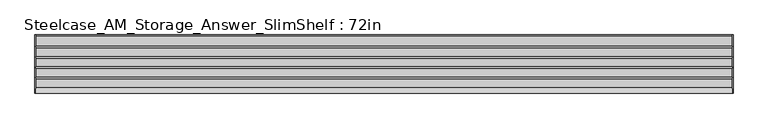
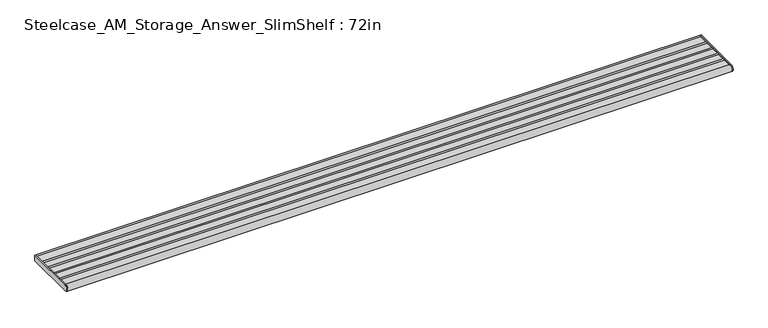
"""IFC4 building model written with IfcOpenShell, lengths in millimetres: furniture geometry, Steelcase_AM_Storage_Answer_SlimShelf : 72in."""

from ifc_helpers import new_model, si_unit, point, frame, frame_2d, origin, place, context, project, spatial, polyline, circle_curve, trimmed, segment, composite_curve, outline, extrude, source, transform, mapped, element, save


def steelcase_am_storage_answer_slimshelf_72in_cc0a2fbb(model_context):
    return source(origin(), model_context, "Body", "SweptSolid", [
        extrude(outline(composite_curve([segment(polyline([(-29.2099994, 928.482716), (-2.2859999, 928.482716)]), True, "CONTINUOUS"), segment(trimmed(circle_curve(frame_2d((1e-07, 928.482716)), 2.2860001), [point((-2.2859999, 928.482716))], [point((0.0, 930.7687161))], False, "CARTESIAN"), True, "CONTINUOUS"), segment(polyline([(0.0, 930.7687161), (0.0, 914.4), (-143.9753135, 914.4)]), True, "CONTINUOUS"), segment(trimmed(circle_curve(frame_2d((-143.9753135, 922.8328065)), 8.4328065), [point((-143.9753135, 914.4))], [point((-137.7150621, 928.482716))], False, "CARTESIAN"), True, "CONTINUOUS"), segment(polyline([(-137.7150621, 928.482716), (-114.7063978, 928.482716)]), True, "CONTINUOUS"), segment(trimmed(circle_curve(frame_2d((-112.4204, 928.482716)), 2.2859978), [point((-114.7063978, 928.482716))], [point((-110.1344022, 928.482716))], False, "CARTESIAN"), True, "CONTINUOUS"), segment(polyline([(-110.1344022, 928.482716), (-87.7315999, 928.482716)]), True, "CONTINUOUS"), segment(trimmed(circle_curve(frame_2d((-85.4456021, 928.482716)), 2.2859978), [point((-87.7315999, 928.482716))], [point((-83.1596043, 928.482716))], False, "CARTESIAN"), True, "CONTINUOUS"), segment(polyline([(-83.1596043, 928.482716), (-60.756802, 928.482716)]), True, "CONTINUOUS"), segment(trimmed(circle_curve(frame_2d((-58.4708019, 928.482716)), 2.2860001), [point((-60.756802, 928.482716))], [point((-56.1848018, 928.482716))], False, "CARTESIAN"), True, "CONTINUOUS"), segment(polyline([(-56.1848018, 928.482716), (-33.7819996, 928.482716)]), True, "CONTINUOUS"), segment(trimmed(circle_curve(frame_2d((-31.4959995, 928.482716)), 2.2860001), [point((-33.7819996, 928.482716))], [point((-29.2099994, 928.482716))], False, "CARTESIAN"), True, "CONTINUOUS")], self_intersect=False)), frame((2.7431999, 0.0, 0.0), z_axis=(1.0, 0.0, 0.0), x_axis=(0.0, 1.0, 0.0)), (0.0, 0.0, 1.0), 1823.2120001),
        extrude(outline(composite_curve([segment(polyline([(-143.9753135, 931.265613), (0.0, 931.265613), (0.0, 914.4), (-143.9753135, 914.4)]), True, "CONTINUOUS"), segment(trimmed(circle_curve(frame_2d((-143.9753135, 922.8328065)), 8.4328065), [point((-143.9753135, 914.4))], [point((-143.9753135, 931.265613))], False, "CARTESIAN"), True, "CONTINUOUS")], self_intersect=False)), frame((1825.9552, 0.0, 0.0), z_axis=(1.0, 0.0, 0.0), x_axis=(0.0, 1.0, 0.0)), (0.0, 0.0, 1.0), 2.8448),
        extrude(outline(composite_curve([segment(polyline([(-143.9753135, 931.265613), (0.0, 931.265613), (0.0, 914.4), (-143.9753135, 914.4)]), True, "CONTINUOUS"), segment(trimmed(circle_curve(frame_2d((-143.9753135, 922.8328065)), 8.4328065), [point((-143.9753135, 914.4))], [point((-143.9753135, 931.265613))], False, "CARTESIAN"), True, "CONTINUOUS")], self_intersect=False)), frame((0.0, 0.0, 0.0), z_axis=(1.0, 0.0, 0.0), x_axis=(0.0, 1.0, 0.0)), (0.0, 0.0, 1.0), 2.7431999),
    ])


if __name__ == "__main__":
    model = new_model("IFC4")
    model_context = context("Model", 3, world=origin())
    ifc_project = project(units=[si_unit("LENGTHUNIT", "METRE", prefix="MILLI")], contexts=[model_context])
    site = spatial("IfcSite", under=ifc_project)
    building = spatial("IfcBuilding", under=site)
    placement = place(None, origin())
    steelcase_am_storage_answer_slimshelf_72in_shape = steelcase_am_storage_answer_slimshelf_72in_cc0a2fbb(model_context)
    element("IfcFurniture", 1, ObjectType="Steelcase_AM_Storage_Answer_SlimShelf : 72in", at=placement, inside=building, context=model_context, shape_type="MappedRepresentation", body=[
        mapped(steelcase_am_storage_answer_slimshelf_72in_shape, transform((0.0, 0.0, 0.0), x_axis=(1.0, 0.0, 0.0), y_axis=(0.0, 1.0, 0.0), z_axis=(0.0, 0.0, 1.0))),
    ])
    save(model, "model.ifc")
